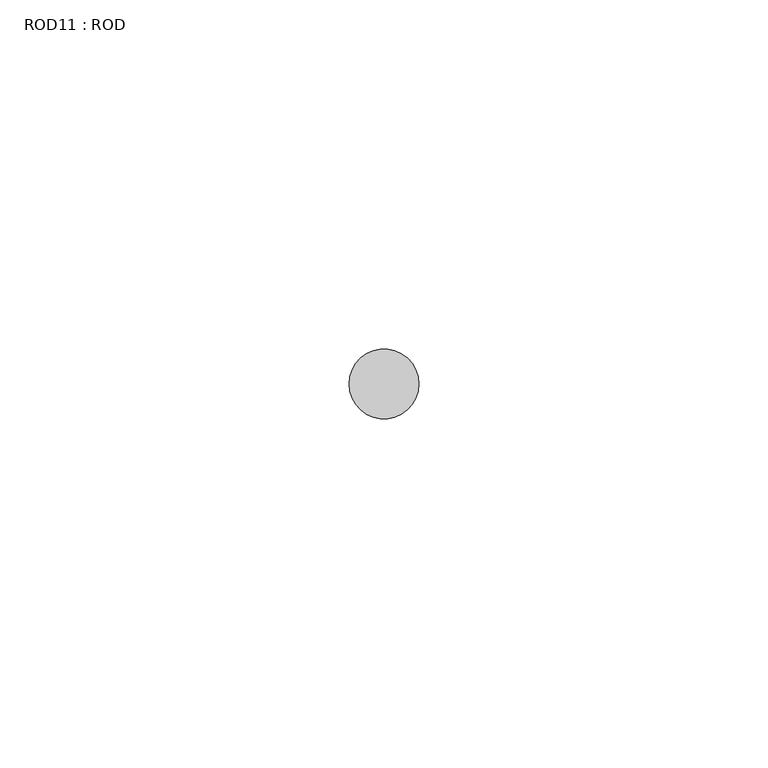
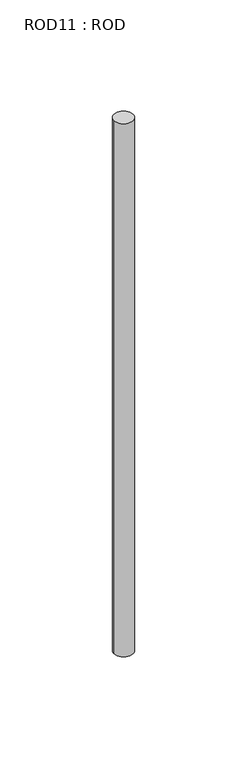
"""IFC4 building model written with IfcOpenShell, lengths in millimetres: proxy geometry, ROD11 : ROD."""

from ifc_helpers import new_model, si_unit, point, frame, frame_2d, origin, place, context, project, spatial, circle_curve, trimmed, segment, composite_curve, outline, extrude, source, transform, mapped, element, save


def rod11_rod_18f75d16(model_context):
    return source(origin(), model_context, "Body", "SweptSolid", [
        extrude(outline(composite_curve([segment(trimmed(circle_curve(frame_2d((-9120.2326676, -1114.6300853)), 5.0), [point((-9125.2326676, -1114.6300853))], [point((-9115.2326676, -1114.6300853))], False, "CARTESIAN"), True, "CONTINUOUS"), segment(trimmed(circle_curve(frame_2d((-9120.2326676, -1114.6300853)), 5.0), [point((-9115.2326676, -1114.6300853))], [point((-9125.2326676, -1114.6300853))], False, "CARTESIAN"), True, "CONTINUOUS")], self_intersect=False)), frame((0.0, 0.0, -208.6608845), z_axis=(0.0, 0.0, 1.0), x_axis=(1.0, 0.0, 0.0)), (0.0, 0.0, 1.0), 298.9028972),
    ])


if __name__ == "__main__":
    model = new_model("IFC4")
    model_context = context("Model", 3, world=origin())
    ifc_project = project(units=[si_unit("LENGTHUNIT", "METRE", prefix="MILLI")], contexts=[model_context])
    site = spatial("IfcSite", under=ifc_project)
    building = spatial("IfcBuilding", under=site)
    placement = place(None, origin())
    rod11_rod_shape = rod11_rod_18f75d16(model_context)
    element("IfcBuildingElementProxy", 1, Name="ROD11 : ROD", ObjectType="ROD11 : ROD", at=placement, inside=building, context=model_context, shape_type="MappedRepresentation", body=[
        mapped(rod11_rod_shape, transform((0.0, 0.0, 0.0), x_axis=(1.0, 0.0, 0.0), y_axis=(0.0, 1.0, 0.0), z_axis=(0.0, 0.0, 1.0))),
    ])
    save(model, "model.ifc")
